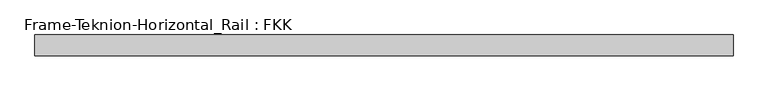
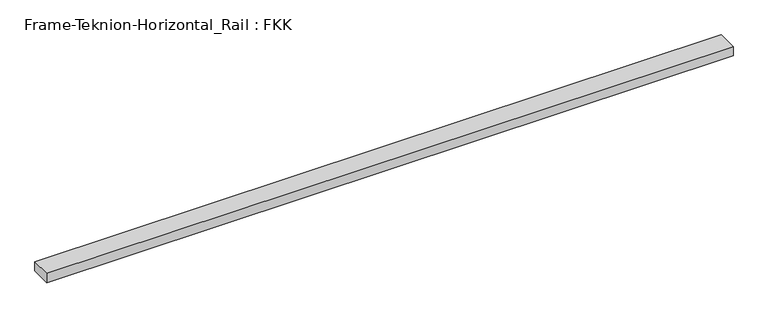
"""IFC4 building model written with IfcOpenShell, lengths in millimetres: proxy geometry, Frame-Teknion-Horizontal_Rail : FKK."""

from ifc_helpers import new_model, si_unit, frame, origin, place, context, project, spatial, polyline, outline, extrude, source, transform, mapped, element, save


def frame_teknion_horizontal_rail_fkk_c7085990(model_context):
    return source(origin(), model_context, "Body", "SweptSolid", [
        extrude(outline(polyline([(-982.3152344, -29.2199219), (-982.3152344, 29.2199219), (982.3152344, 29.2199219), (982.3152344, -29.2199219), (-982.3152344, -29.2199219)])), frame((0.0, 0.0, -13.9898438), z_axis=(0.0, 0.0, 1.0), x_axis=(1.0, 0.0, 0.0)), (0.0, 0.0, 1.0), 27.9796875),
    ])


if __name__ == "__main__":
    model = new_model("IFC4")
    model_context = context("Model", 3, world=origin())
    ifc_project = project(units=[si_unit("LENGTHUNIT", "METRE", prefix="MILLI")], contexts=[model_context])
    site = spatial("IfcSite", under=ifc_project)
    building = spatial("IfcBuilding", under=site)
    placement = place(None, origin())
    frame_teknion_horizontal_rail_fkk_shape = frame_teknion_horizontal_rail_fkk_c7085990(model_context)
    element("IfcBuildingElementProxy", 1, Name="Frame-Teknion-Horizontal_Rail : FKK", ObjectType="Frame-Teknion-Horizontal_Rail : FKK", at=placement, inside=building, context=model_context, shape_type="MappedRepresentation", body=[
        mapped(frame_teknion_horizontal_rail_fkk_shape, transform((0.0, 0.0, 0.0), x_axis=(1.0, 0.0, 0.0), y_axis=(0.0, 1.0, 0.0), z_axis=(0.0, 0.0, 1.0))),
    ])
    save(model, "model.ifc")
